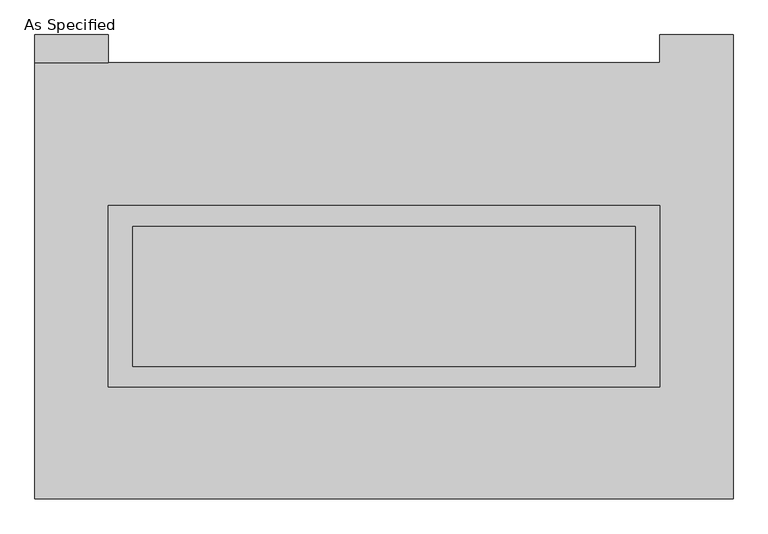
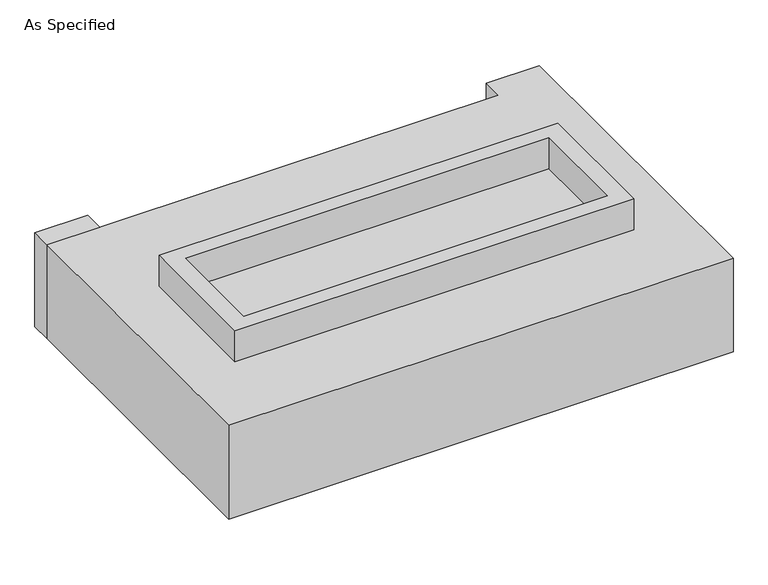
"""IFC4 building model written with IfcOpenShell, lengths in millimetres: proxy geometry, As Specified."""

from ifc_helpers import new_model, si_unit, frame, origin, place, context, project, spatial, polyline, outline, extrude, source, transform, mapped, element, save


def as_specified_724b78da(model_context):
    return source(origin(), model_context, "Body", "SweptSolid", [
        extrude(outline(polyline([(1003.3, 273.05), (1003.3, -387.35), (-1003.3, -387.35), (-1003.3, 273.05), (1003.3, 273.05)]), holes=[polyline([(914.4, 196.85), (-914.4, 196.85), (-914.4, -311.15), (914.4, -311.15), (914.4, 196.85)])]), frame((0.0, 0.0, -688.975), z_axis=(0.0, 0.0, 1.0), x_axis=(1.0, 0.0, 0.0)), (0.0, 0.0, 1.0), 165.1),
        extrude(outline(polyline([(1003.3, 273.05), (1003.3, -387.35), (-1003.3, -387.35), (-1003.3, 273.05), (1003.3, 273.05)]), holes=[polyline([(914.4, 196.85), (-914.4, 196.85), (-914.4, -311.15), (914.4, -311.15), (914.4, 196.85)])]), frame((0.0, 0.0, -25.4), z_axis=(0.0, 0.0, 1.0), x_axis=(1.0, 0.0, 0.0)), (0.0, 0.0, 1.0), 165.1),
        extrude(outline(polyline([(-1003.3, 793.75), (-1270.0, 793.75), (-1270.0, 895.35), (-1003.3, 895.35), (-1003.3, 793.75)])), frame((0.0, 0.0, -523.875), z_axis=(0.0, 0.0, 1.0), x_axis=(1.0, 0.0, 0.0)), (0.0, 0.0, 1.0), 498.475),
        extrude(outline(polyline([(914.4, 196.85), (914.4, -311.15), (-914.4, -311.15), (-914.4, 196.85), (914.4, 196.85)])), frame((0.0, 0.0, -523.875), z_axis=(0.0, 0.0, 1.0), x_axis=(1.0, 0.0, 0.0)), (0.0, 0.0, 1.0), 4.9609375),
        extrude(outline(polyline([(914.4, 196.85), (914.4, -311.15), (-914.4, -311.15), (-914.4, 196.85), (914.4, 196.85)])), frame((0.0, 0.0, -30.3609375), z_axis=(0.0, 0.0, 1.0), x_axis=(1.0, 0.0, 0.0)), (0.0, 0.0, 1.0), 4.9609375),
        extrude(outline(polyline([(1270.0, -793.75), (-1270.0, -793.75), (-1270.0, 793.75), (1003.3, 793.75), (1003.3, 895.35), (1270.0, 895.35), (1270.0, -793.75)]), holes=[polyline([(-1003.3, 273.05), (-1003.3, -387.35), (1003.3, -387.35), (1003.3, 273.05), (-1003.3, 273.05)])]), frame((0.0, 0.0, -523.875), z_axis=(0.0, 0.0, 1.0), x_axis=(1.0, 0.0, 0.0)), (0.0, 0.0, 1.0), 498.475),
    ])


if __name__ == "__main__":
    model = new_model("IFC4")
    model_context = context("Model", 3, world=origin())
    ifc_project = project(units=[si_unit("LENGTHUNIT", "METRE", prefix="MILLI")], contexts=[model_context])
    site = spatial("IfcSite", under=ifc_project)
    building = spatial("IfcBuilding", under=site)
    placement = place(None, origin())
    as_specified_shape = as_specified_724b78da(model_context)
    element("IfcBuildingElementProxy", 1, Name="As Specified", ObjectType="As Specified", at=placement, inside=building, context=model_context, shape_type="MappedRepresentation", body=[
        mapped(as_specified_shape, transform((0.0, 0.0, 0.0), x_axis=(1.0, 0.0, 0.0), y_axis=(0.0, 1.0, 0.0), z_axis=(0.0, 0.0, 1.0))),
    ])
    save(model, "model.ifc")
